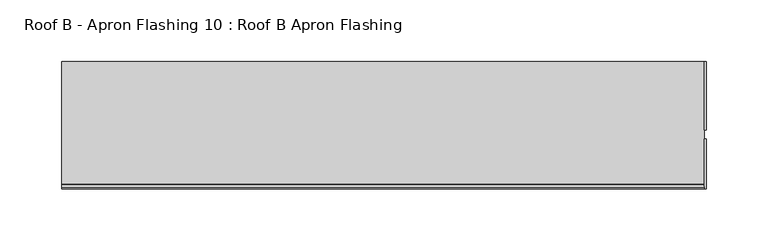
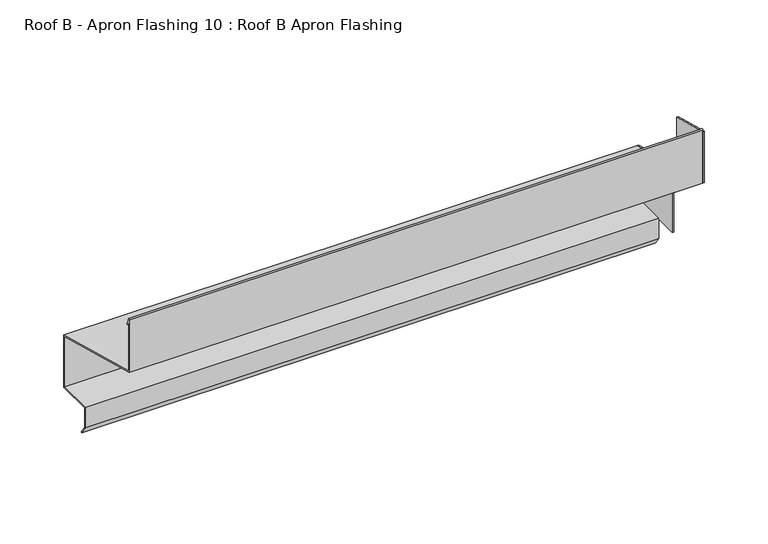
"""IFC4 building model written with IfcOpenShell, lengths in millimetres: proxy geometry, Roof B - Apron Flashing 10 : Roof B Apron Flashing."""

from ifc_helpers import new_model, si_unit, point, frame, frame_2d, origin, place, context, project, spatial, polyline, circle_curve, trimmed, segment, composite_curve, outline, extrude, source, transform, mapped, element, save


def roof_b_apron_flashing_10_roof_b_apron_flashing_9b399249(model_context):
    return source(origin(), model_context, "Body", "SweptSolid", [
        extrude(outline(polyline([(660.2773132, -392.0096237), (604.9023812, -392.0096237), (604.9023812, -327.1719554), (660.2773132, -342.0096237), (660.2773132, -392.0096237)])), frame((9686.0219031, 0.0, 0.0), z_axis=(1.0, 0.0, 0.0), x_axis=(0.0, 1.0, 0.0)), (0.0, 0.0, 1.0), 1.3240587),
        extrude(outline(polyline([(597.9882944, -277.0866584), (597.9882944, -326.3546076), (557.4043312, -315.4801674), (557.4043312, -266.2122183), (597.9882944, -277.0866584)])), frame((9686.0219031, 0.0, 0.0), z_axis=(1.0, 0.0, 0.0), x_axis=(0.0, 1.0, 0.0)), (0.0, 0.0, 1.0), 1.3240587),
        extrude(outline(composite_curve([segment(polyline([(660.2773132, -342.0096237), (660.2773132, -392.0096237), (627.6739483, -392.0096237), (627.6739483, -410.3959053), (632.884848, -417.8378413), (632.065696, -418.4114178), (626.6739483, -410.7112041), (626.6739483, -391.0096237), (659.2773132, -391.0096237), (659.2773132, -342.7769507), (557.4043312, -315.4801674), (557.4043312, -264.8977528)]), True, "CONTINUOUS"), segment(trimmed(circle_curve(frame_2d((558.0833754, -264.8977528)), 0.6790442), [point((557.4043312, -264.8977528))], [point((558.7129742, -264.6433784))], False, "CARTESIAN"), True, "CONTINUOUS"), segment(polyline([(558.7129742, -264.6433784), (561.1274291, -270.6193639)]), True, "CONTINUOUS"), segment(trimmed(circle_curve(frame_2d((560.6638371, -270.8066672)), 0.5), [point((561.1274291, -270.6193639))], [point((560.2002452, -270.9939705))], False, "CARTESIAN"), True, "CONTINUOUS"), segment(polyline([(560.2002452, -270.9939705), (558.4043312, -266.5489273), (558.4043312, -314.7128405), (660.2773132, -342.0096237)]), True, "CONTINUOUS")], self_intersect=False)), frame((9166.9913177, 0.0, 0.0), z_axis=(1.0, 0.0, 0.0), x_axis=(0.0, 1.0, 0.0)), (0.0, 0.0, 1.0), 519.0305854),
    ])


if __name__ == "__main__":
    model = new_model("IFC4")
    model_context = context("Model", 3, world=origin())
    ifc_project = project(units=[si_unit("LENGTHUNIT", "METRE", prefix="MILLI")], contexts=[model_context])
    site = spatial("IfcSite", under=ifc_project)
    building = spatial("IfcBuilding", under=site)
    placement = place(None, origin())
    roof_b_apron_flashing_10_roof_b_apron_flashing_shape = roof_b_apron_flashing_10_roof_b_apron_flashing_9b399249(model_context)
    element("IfcBuildingElementProxy", 1, Name="Roof B - Apron Flashing 10 : Roof B Apron Flashing", ObjectType="Roof B - Apron Flashing 10 : Roof B Apron Flashing", at=placement, inside=building, context=model_context, shape_type="MappedRepresentation", body=[
        mapped(roof_b_apron_flashing_10_roof_b_apron_flashing_shape, transform((0.0, 0.0, 0.0), x_axis=(1.0, 0.0, 0.0), y_axis=(0.0, 1.0, 0.0), z_axis=(0.0, 0.0, 1.0))),
    ])
    save(model, "model.ifc")
